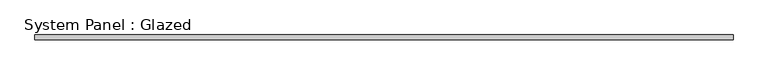
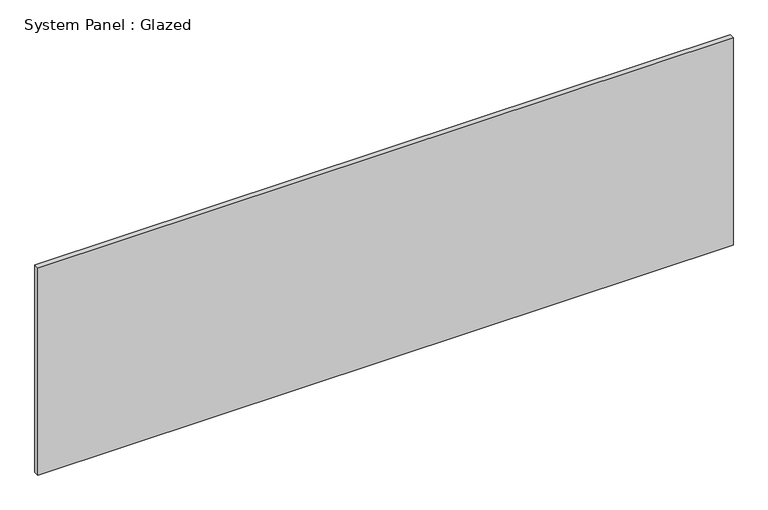
"""IFC4 building model written with IfcOpenShell, lengths in millimetres: plate geometry, System Panel : Glazed."""

from ifc_helpers import new_model, si_unit, origin, origin_with_axes, place, context, project, spatial, polyline, outline, extrude, source, transform, mapped, element, save


def system_panel_glazed_3ea0591b(model_context):
    return source(origin(), model_context, "Body", "SweptSolid", [
        extrude(outline(polyline([(1781.175, -44.45), (-1781.175, -44.45), (-1781.175, -19.05), (1781.175, -19.05), (1781.175, -44.45)])), origin_with_axes(), (0.0, 0.0, 1.0), 1123.95),
    ])


if __name__ == "__main__":
    model = new_model("IFC4")
    model_context = context("Model", 3, world=origin())
    ifc_project = project(units=[si_unit("LENGTHUNIT", "METRE", prefix="MILLI")], contexts=[model_context])
    site = spatial("IfcSite", under=ifc_project)
    building = spatial("IfcBuilding", under=site)
    placement = place(None, origin())
    system_panel_glazed_shape = system_panel_glazed_3ea0591b(model_context)
    element("IfcPlate", 1, ObjectType="System Panel : Glazed", at=placement, inside=building, context=model_context, shape_type="MappedRepresentation", body=[
        mapped(system_panel_glazed_shape, transform((0.0, 0.0, 0.0), x_axis=(1.0, 0.0, 0.0), y_axis=(0.0, 1.0, 0.0), z_axis=(0.0, 0.0, 1.0))),
    ])
    save(model, "model.ifc")
